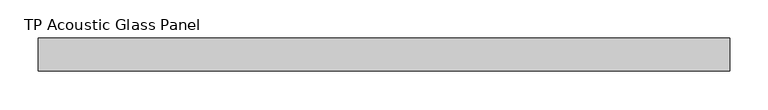
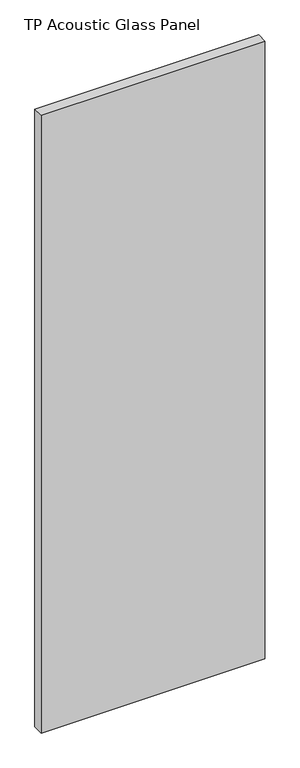
"""IFC4 building model written with IfcOpenShell, lengths in millimetres: plate geometry, TP Acoustic Glass Panel."""

from ifc_helpers import new_model, si_unit, origin, origin_with_axes, place, context, project, spatial, polyline, outline, extrude, source, transform, mapped, element, save


def tp_acoustic_glass_panel_e883db42(model_context):
    return source(origin(), model_context, "Body", "SweptSolid", [
        extrude(outline(polyline([(450.0, 21.5), (450.0, -21.5), (-450.0, -21.5), (-450.0, 21.5), (450.0, 21.5)])), origin_with_axes(), (0.0, 0.0, 1.0), 2628.0),
    ])


if __name__ == "__main__":
    model = new_model("IFC4")
    model_context = context("Model", 3, world=origin())
    ifc_project = project(units=[si_unit("LENGTHUNIT", "METRE", prefix="MILLI")], contexts=[model_context])
    site = spatial("IfcSite", under=ifc_project)
    building = spatial("IfcBuilding", under=site)
    placement = place(None, origin())
    tp_acoustic_glass_panel_shape = tp_acoustic_glass_panel_e883db42(model_context)
    element("IfcPlate", 1, ObjectType="TP Acoustic Glass Panel", at=placement, inside=building, context=model_context, shape_type="MappedRepresentation", body=[
        mapped(tp_acoustic_glass_panel_shape, transform((0.0, 0.0, 0.0), x_axis=(1.0, 0.0, 0.0), y_axis=(0.0, 1.0, 0.0), z_axis=(0.0, 0.0, 1.0))),
    ])
    save(model, "model.ifc")
